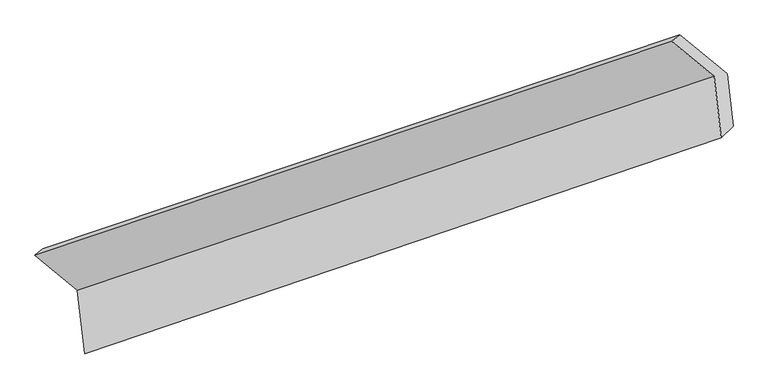
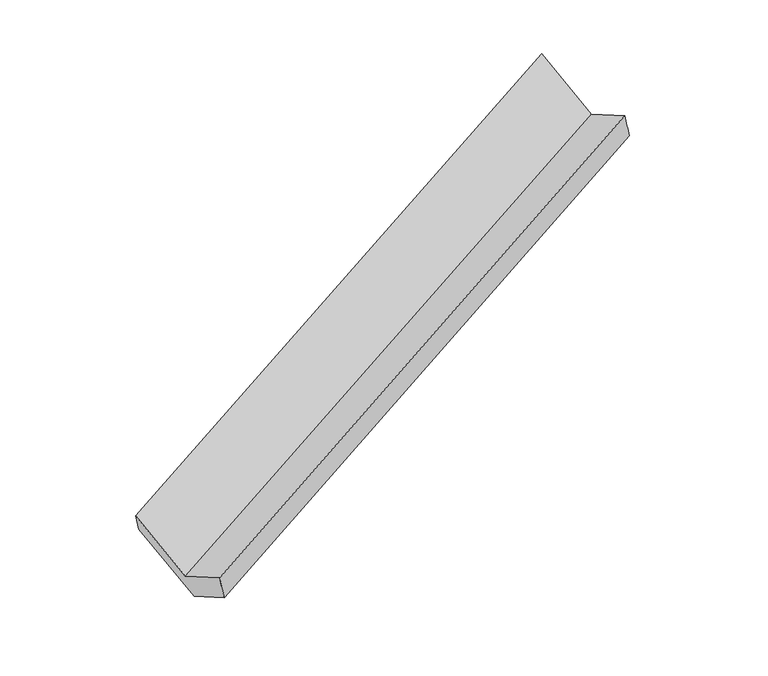
"""IFC4 building model written with IfcOpenShell, lengths in millimetres: proxy geometry."""

from ifc_helpers import new_model, si_unit, frame, origin, place, context, project, spatial, source, transform, mapped, element, save
from ifc_brep_helpers import plane_surface, spline_surface, advanced_brep


def generic_models_be7b7e86(model_context):
    return source(origin(), model_context, "Body", "AdvancedBrep", [
        advanced_brep(
        [(-4925.1169041, -2175.150813, 920.3516558), (-4877.3748095, -2595.5077034, 1145.6007573), (-666.9085203, -1165.2450091, 2887.1693659), (-713.0051089, -759.3763766, 2669.6838269), (-5206.4551709, -1944.2463227, 1410.8928872), (-994.3433757, -528.4718863, 3160.2250584), (-5153.8176995, -1901.8980811, 1249.8768855), (-941.7059043, -486.1236447, 2999.2090567), (-4839.4346014, -2159.9236595, 701.7187062), (-627.3228062, -744.1492231, 2451.0508774), (-4798.7345282, -2518.2773593, 893.7432709), (-588.0117333, -1090.2731315, 2636.5220834)],
        [
            (0, 1),
            (1, 2),
            (2, 3),
            (3, 0),
            (4, 0),
            (3, 5),
            (5, 4),
            (6, 4),
            (5, 7),
            (7, 6),
            (8, 6),
            (7, 9),
            (9, 8),
            (10, 8),
            (9, 11),
            (11, 10),
            (1, 10),
            (11, 2),
        ],
        [
            plane_surface(frame((-4901.2458568, -2385.3292582, 1032.9762065), z_axis=(-0.46059251850689076, 0.3780249374709346, 0.8030888360234973), x_axis=(0.09961058399826053, -0.8770456283490096, 0.46996669812808717))),
            plane_surface(frame((-5065.7860375, -2059.6985679, 1165.6222715), z_axis=(0.09961058399826445, -0.8770456283490135, 0.4699666981280791), x_axis=(0.4605925185068815, -0.3780249374709288, -0.8030888360235053))),
            plane_surface(frame((-5180.1364352, -1923.0722019, 1330.3848864), z_axis=(-0.3622097360598598, 0.9237390934673515, 0.12453993055868715), x_axis=(-0.3014495706622164, -0.24252417355003564, 0.9221226499720293))),
            plane_surface(frame((-4996.6261505, -2030.9108703, 975.7977959), z_axis=(-0.09961058399825928, 0.8770456283490095, -0.46996669812808756), x_axis=(-0.4605925185068887, 0.378024937470936, 0.8030888360234977))),
            plane_surface(frame((-4819.0845648, -2339.1005094, 797.7309886), z_axis=(0.4605925185068907, -0.378024937470935, -0.8030888360234971), x_axis=(-0.09961058399826042, 0.8770456283490093, -0.4699666981280876))),
            spline_surface(1, 1, [[(-4877.3748095, -2595.5077034, 1145.6007573), (-666.9085203, -1165.2450091, 2887.1693659)], [(-4798.7345282, -2518.2773593, 893.7432709), (-588.0117333, -1090.2731315, 2636.5220834)]], [2, 2], [2, 2], [0.0, 1.0], [0.0, 1.0]),
            plane_surface(frame((-755.2162414, -795.6065452, 2800.6433781), z_axis=(0.8820046844835939, 0.2964592930639803, 0.3663053700193336), x_axis=(-0.4605925185068887, 0.378024937470936, 0.8030888360234977))),
            plane_surface(frame((-4966.8222856, -2215.8339898, 1053.6973605), z_axis=(-0.8820046844836005, -0.2964592930639636, -0.36630537001933133), x_axis=(-0.0996105839982621, 0.8770456283490089, -0.46996669812808783))),
        ],
        [
            (0, [[1, 2, 3, 4]]),
            (1, [[5, -4, 6, 7]]),
            (2, [[8, -7, 9, 10]]),
            (3, [[11, -10, 12, 13]]),
            (4, [[14, -13, 15, 16]]),
            (5, [[17, -16, 18, -2]]),
            (6, [[-12, -9, -6, -3, -18, -15]]),
            (7, [[-1, -5, -8, -11, -14, -17]]),
        ],
    ),
    ])


if __name__ == "__main__":
    model = new_model("IFC4")
    model_context = context("Model", 3, world=origin())
    ifc_project = project(units=[si_unit("LENGTHUNIT", "METRE", prefix="MILLI")], contexts=[model_context])
    site = spatial("IfcSite", under=ifc_project)
    building = spatial("IfcBuilding", under=site)
    placement = place(None, origin())
    generic_models_shape = generic_models_be7b7e86(model_context)
    element("IfcBuildingElementProxy", 1, Name="Generic Models", at=placement, inside=building, context=model_context, shape_type="MappedRepresentation", body=[
        mapped(generic_models_shape, transform((0.0, 0.0, 0.0), x_axis=(1.0, 0.0, 0.0), y_axis=(0.0, 1.0, 0.0), z_axis=(0.0, 0.0, 1.0))),
    ])
    save(model, "model.ifc")
